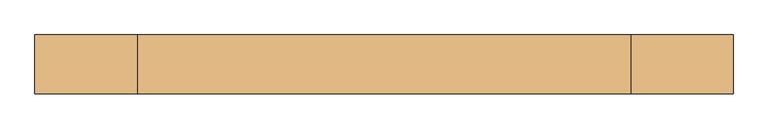
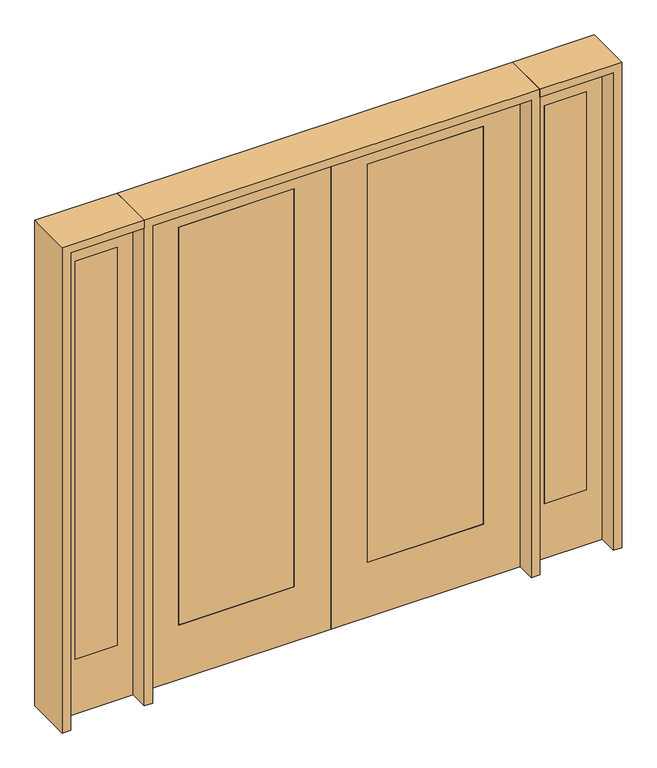
"""IFC4 building model written with IfcOpenShell, lengths in millimetres: door geometry."""

from ifc_helpers import new_model, si_unit, frame, origin, place, context, project, spatial, polyline, outline, extrude, source, transform, mapped, element, save


def door_bf4aead6(model_context):
    return source(origin(), model_context, "Body", "SweptSolid", [
        extrude(outline(polyline([(1235.075, 20.6375), (1235.075, -20.6375), (1031.875, -20.6375), (1031.875, 20.6375), (1235.075, 20.6375)])), frame((0.0, 0.0, 279.4), z_axis=(0.0, 0.0, 1.0), x_axis=(1.0, 0.0, 0.0)), (0.0, 0.0, 1.0), 2032.0),
        extrude(outline(polyline([(0.0, 955.675), (0.0, 1311.275), (2438.4, 1311.275), (2438.4, 955.675), (0.0, 955.675)]), holes=[polyline([(2311.4, 1235.075), (279.4, 1235.075), (279.4, 1031.875), (2311.4, 1031.875), (2311.4, 1235.075)])]), frame((0.0, -20.6375, 0.0), z_axis=(0.0, 1.0, 0.0), x_axis=(0.0, 0.0, 1.0)), (0.0, 0.0, 1.0), 41.275),
        extrude(outline(polyline([(-1031.875, 20.6375), (-1031.875, -20.6375), (-1235.075, -20.6375), (-1235.075, 20.6375), (-1031.875, 20.6375)])), frame((0.0, 0.0, 279.4), z_axis=(0.0, 0.0, 1.0), x_axis=(1.0, 0.0, 0.0)), (0.0, 0.0, 1.0), 2032.0),
        extrude(outline(polyline([(0.0, -1311.275), (0.0, -955.675), (2438.4, -955.675), (2438.4, -1311.275), (0.0, -1311.275)]), holes=[polyline([(2311.4, -1031.875), (279.4, -1031.875), (279.4, -1235.075), (2311.4, -1235.075), (2311.4, -1031.875)])]), frame((0.0, -20.6375, 0.0), z_axis=(0.0, 1.0, 0.0), x_axis=(0.0, 0.0, 1.0)), (0.0, 0.0, 1.0), 41.275),
        extrude(outline(polyline([(2438.4, 914.4), (2438.4, 0.0), (0.0, 0.0), (0.0, 914.4), (2438.4, 914.4)]), holes=[polyline([(279.4, 736.6), (279.4, 177.8), (2311.4, 177.8), (2311.4, 736.6), (279.4, 736.6)])]), frame((0.0, -20.6375, 0.0), z_axis=(0.0, 1.0, 0.0), x_axis=(0.0, 0.0, 1.0)), (0.0, 0.0, 1.0), 41.275),
        extrude(outline(polyline([(177.8, 20.6375), (736.6, 20.6375), (736.6, -20.6375), (177.8, -20.6375), (177.8, 20.6375)])), frame((0.0, 0.0, 279.4), z_axis=(0.0, 0.0, 1.0), x_axis=(1.0, 0.0, 0.0)), (0.0, 0.0, 1.0), 2032.0),
        extrude(outline(polyline([(2438.4, -914.4), (0.0, -914.4), (0.0, 0.0), (2438.4, 0.0), (2438.4, -914.4)]), holes=[polyline([(279.4, -736.6), (2311.4, -736.6), (2311.4, -177.8), (279.4, -177.8), (279.4, -736.6)])]), frame((0.0, -20.6375, 0.0), z_axis=(0.0, 1.0, 0.0), x_axis=(0.0, 0.0, 1.0)), (0.0, 0.0, 1.0), 41.275),
        extrude(outline(polyline([(-177.8, 20.6375), (-177.8, -20.6375), (-736.6, -20.6375), (-736.6, 20.6375), (-177.8, 20.6375)])), frame((0.0, 0.0, 279.4), z_axis=(0.0, 0.0, 1.0), x_axis=(1.0, 0.0, 0.0)), (0.0, 0.0, 1.0), 2032.0),
        extrude(outline(polyline([(2479.675, -955.675), (2479.675, -1352.55), (0.0, -1352.55), (0.0, -1311.275), (2438.4, -1311.275), (2438.4, -955.675), (2479.675, -955.675)])), frame((0.0, -114.3, 0.0), z_axis=(0.0, 1.0, 0.0), x_axis=(0.0, 0.0, 1.0)), (0.0, 0.0, 1.0), 228.6),
        extrude(outline(polyline([(2479.675, -955.675), (0.0, -955.675), (0.0, -914.4), (2438.4, -914.4), (2438.4, 914.4), (0.0, 914.4), (0.0, 955.675), (2479.675, 955.675), (2479.675, -955.675)])), frame((0.0, -114.3, 0.0), z_axis=(0.0, 1.0, 0.0), x_axis=(0.0, 0.0, 1.0)), (0.0, 0.0, 1.0), 228.6),
        extrude(outline(polyline([(0.0, 1352.55), (2479.675, 1352.55), (2479.675, 955.675), (2438.4, 955.675), (2438.4, 1311.275), (0.0, 1311.275), (0.0, 1352.55)])), frame((0.0, -114.3, 0.0), z_axis=(0.0, 1.0, 0.0), x_axis=(0.0, 0.0, 1.0)), (0.0, 0.0, 1.0), 228.6),
    ])


if __name__ == "__main__":
    model = new_model("IFC4")
    model_context = context("Model", 3, world=origin())
    ifc_project = project(units=[si_unit("LENGTHUNIT", "METRE", prefix="MILLI")], contexts=[model_context])
    site = spatial("IfcSite", under=ifc_project)
    building = spatial("IfcBuilding", under=site)
    placement = place(None, origin())
    door_shape = door_bf4aead6(model_context)
    element("IfcDoor", 1, at=placement, inside=building, context=model_context, shape_type="MappedRepresentation", body=[
        mapped(door_shape, transform((0.0, 0.0, 0.0), x_axis=(1.0, 0.0, 0.0), y_axis=(0.0, 1.0, 0.0), z_axis=(0.0, 0.0, 1.0))),
    ])
    save(model, "model.ifc")
